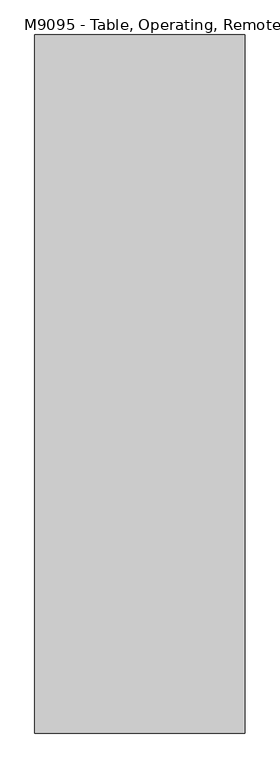
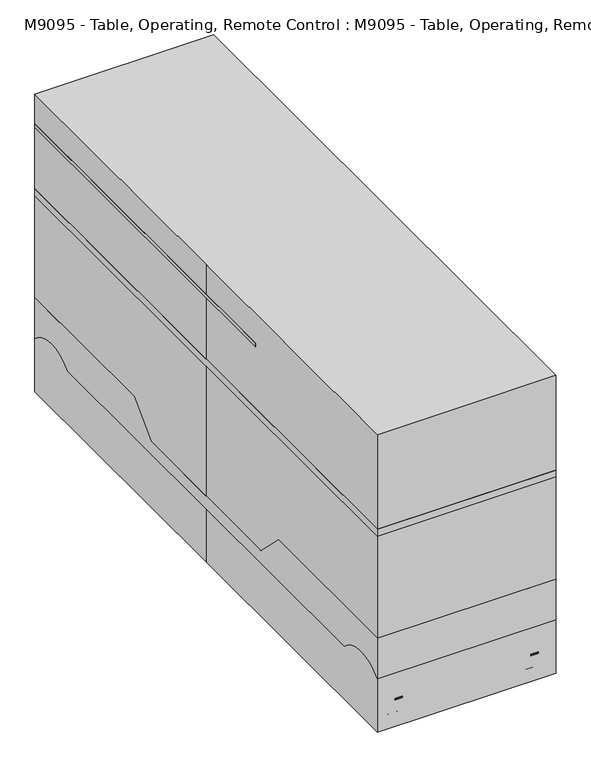
"""IFC4 building model written with IfcOpenShell, lengths in millimetres: proxy geometry, M9095 - Table, Operating, Remote Control : M9095 - Table, Operating, Remote Control."""

import ifcopenshell
import ifcopenshell.guid

model = None  # the IFC model being written
_history = None  # IfcOwnerHistory: only IFC2X3 demands one
_inside = {}  # id of a spatial element -> (the spatial element, [elements in it])
_under = {}  # id of a project, library or spatial element -> (it, [spatial elements below it])
_declared = {}  # id of a project -> (the project, [libraries it declares])
_typed = {}  # id of a type object -> (the type object, [elements of that type])
_made_of = {}  # id of a material, layer set ... -> (it, [elements and type objects made of it])


def new_model(schema):
    """Start an empty IFC model of exactly this schema.

    Asked for "IFC4X3", IfcOpenShell would pick the latest addendum, in which some entities
    have other attributes; the version numbers below select the first issue.
    IFC2X3 requires an IfcOwnerHistory on every rooted entity: one is made here for all.
    """
    global model, _history
    if schema == "IFC4X3":
        model = ifcopenshell.file(schema_version=(4, 3, 0, 0))
    else:
        model = ifcopenshell.file(schema=schema)
    _inside.clear()
    _under.clear()
    _declared.clear()
    _typed.clear()
    _made_of.clear()
    _history = None
    if model.schema == "IFC2X3":
        org = make("IfcOrganization", Name="unknown")
        user = make(
            "IfcPersonAndOrganization",
            ThePerson=make("IfcPerson", FamilyName="unknown"),
            TheOrganization=org,
        )
        app = make(
            "IfcApplication",
            ApplicationDeveloper=org,
            Version="unknown",
            ApplicationFullName="unknown",
            ApplicationIdentifier="unknown",
        )
        _history = make(
            "IfcOwnerHistory",
            OwningUser=user,
            OwningApplication=app,
            ChangeAction="ADDED",
            CreationDate=0,
        )
    return model


def make(cls, **values):
    """One entity of the class cls with the attributes given. An attribute that is None is left unset."""
    return model.create_entity(
        cls, **{name: value for name, value in values.items() if value is not None}
    )


def rooted(cls, **values):
    """An entity with a GlobalId (a new one), such as an element, a storey or a relation."""
    return make(cls, GlobalId=ifcopenshell.guid.new(), OwnerHistory=_history, **values)


def si_unit(unit_type, name, prefix=None):
    """IfcSIUnit, for example si_unit("LENGTHUNIT", "METRE", prefix="MILLI")."""
    return make("IfcSIUnit", UnitType=unit_type, Prefix=prefix, Name=name)


def assignment(units):
    """IfcUnitAssignment: the units of a project."""
    return None if units is None else make("IfcUnitAssignment", Units=units)


def point(xyz):
    """IfcCartesianPoint."""
    return None if xyz is None else make("IfcCartesianPoint", Coordinates=xyz)


def direction(xyz):
    """IfcDirection."""
    return None if xyz is None else make("IfcDirection", DirectionRatios=xyz)


def frame(location, z_axis=None, x_axis=None):
    """IfcAxis2Placement3D, a coordinate frame: its origin and axes. An axis left out is left unset."""
    return make(
        "IfcAxis2Placement3D",
        Location=point(location),
        Axis=direction(z_axis),
        RefDirection=direction(x_axis),
    )


def frame_2d(location, x_axis=None):
    """IfcAxis2Placement2D, a coordinate frame in the plane: its origin and x axis."""
    return make(
        "IfcAxis2Placement2D", Location=point(location), RefDirection=direction(x_axis)
    )


def origin():
    """The frame at (0, 0, 0) with its axes left unset."""
    return frame((0.0, 0.0, 0.0))


def origin_with_axes():
    """The frame at (0, 0, 0) with the z axis (0, 0, 1) and the x axis (1, 0, 0) written out."""
    return frame((0.0, 0.0, 0.0), z_axis=(0.0, 0.0, 1.0), x_axis=(1.0, 0.0, 0.0))


def place(relative_to, where):
    """IfcLocalPlacement: puts the frame where relative to a parent placement (None: the world)."""
    return make(
        "IfcLocalPlacement", PlacementRelTo=relative_to, RelativePlacement=where
    )


def context(
    kind, dimensions, precision=None, world=None, true_north=None, identifier=None
):
    """IfcGeometricRepresentationContext, for example the 3D "Model" context."""
    return make(
        "IfcGeometricRepresentationContext",
        ContextIdentifier=identifier,
        ContextType=kind,
        CoordinateSpaceDimension=dimensions,
        Precision=precision,
        WorldCoordinateSystem=world,
        TrueNorth=true_north,
    )


def project(units=None, contexts=None):
    """IfcProject with its units and contexts."""
    return rooted(
        "IfcProject",
        Name="project",
        RepresentationContexts=contexts,
        UnitsInContext=assignment(units),
    )


def spatial(cls, under=None, at=None, **own):
    """A site, building, storey or space (cls), placed at a placement, below another one or the project."""
    s = rooted(cls, ObjectPlacement=at, **own)
    if under is not None:
        _under.setdefault(under.id(), (under, []))[1].append(s)
    return s


def polyline(points):
    """IfcPolyline through the points."""
    return make("IfcPolyline", Points=[point(p) for p in points])


def circle_curve(where, radius):
    """IfcCircle in the frame where."""
    return make("IfcCircle", Position=where, Radius=radius)


def trimmed(basis, trim1, trim2, sense, master):
    """IfcTrimmedCurve: the piece of a basis curve between two trims."""
    return make(
        "IfcTrimmedCurve",
        BasisCurve=basis,
        Trim1=trim1,
        Trim2=trim2,
        SenseAgreement=sense,
        MasterRepresentation=master,
    )


def segment(curve, same_sense, transition):
    """IfcCompositeCurveSegment."""
    return make(
        "IfcCompositeCurveSegment",
        Transition=transition,
        SameSense=same_sense,
        ParentCurve=curve,
    )


def composite_curve(segments, self_intersect=None):
    """IfcCompositeCurve: segments joined end to end."""
    return make("IfcCompositeCurve", Segments=segments, SelfIntersect=self_intersect)


def outline(outer, holes=None, kind="AREA"):
    """IfcArbitraryClosedProfileDef: a profile drawn as a closed curve; with holes, ...WithVoids."""
    if holes is None:
        return make("IfcArbitraryClosedProfileDef", ProfileType=kind, OuterCurve=outer)
    return make(
        "IfcArbitraryProfileDefWithVoids",
        ProfileType=kind,
        OuterCurve=outer,
        InnerCurves=holes,
    )


def extrude(swept, where, along, depth):
    """IfcExtrudedAreaSolid: the profile swept, set in the frame where, extruded along a direction by depth."""
    return make(
        "IfcExtrudedAreaSolid",
        SweptArea=swept,
        Position=where,
        ExtrudedDirection=direction(along),
        Depth=depth,
    )


def shape(context_of_items, identifier, shape_type, items):
    """IfcShapeRepresentation: the items that make up one representation, for example the "Body"."""
    return make(
        "IfcShapeRepresentation",
        ContextOfItems=context_of_items,
        RepresentationIdentifier=identifier,
        RepresentationType=shape_type,
        Items=items,
    )


def source(mapping_origin, context_of_items, identifier, shape_type, items):
    """IfcRepresentationMap: a shape defined once, which mapped items show again and again."""
    return make(
        "IfcRepresentationMap",
        MappingOrigin=mapping_origin,
        MappedRepresentation=shape(context_of_items, identifier, shape_type, items),
    )


def transform(
    local_origin,
    x_axis=None,
    y_axis=None,
    z_axis=None,
    scale=None,
    scale2=None,
    scale3=None,
    uniform=True,
):
    """IfcCartesianTransformationOperator3D, or its non-uniform kind. x_axis, y_axis, z_axis: its Axis1, 2, 3."""
    if uniform:
        return make(
            "IfcCartesianTransformationOperator3D",
            Axis1=direction(x_axis),
            Axis2=direction(y_axis),
            LocalOrigin=point(local_origin),
            Scale=scale,
            Axis3=direction(z_axis),
        )
    return make(
        "IfcCartesianTransformationOperator3DnonUniform",
        Axis1=direction(x_axis),
        Axis2=direction(y_axis),
        LocalOrigin=point(local_origin),
        Scale=scale,
        Axis3=direction(z_axis),
        Scale2=scale2,
        Scale3=scale3,
    )


def mapped(mapping_source, mapping_target):
    """IfcMappedItem: shows the shape of a source again, moved by a transform."""
    return make(
        "IfcMappedItem", MappingSource=mapping_source, MappingTarget=mapping_target
    )


def made_of(thing, what):
    """Note that an element or type object is made of a material, layer set ...; save() writes the relation."""
    if what is not None:
        _made_of.setdefault(what.id(), (what, []))[1].append(thing)
    return thing


def element(
    cls,
    number,
    at=None,
    inside=None,
    cuts=None,
    type_object=None,
    material=None,
    context=None,
    identifier="Body",
    shape_type=None,
    held_by="IfcProductDefinitionShape",
    body=None,
    shapes=None,
    **own,
):
    """One element of the class cls, such as IfcWall. Its Tag is "e" and its number.

    at: its placement. inside: the storey or other place that contains it. cuts: it is an
    opening in that element (IfcRelVoidsElement). A single representation is given by context,
    identifier, shape_type and body (its items); several are given by shapes. held_by: the class
    of the entity that holds the representations. save() writes the other relations.
    """
    e = rooted(cls, Tag="e%d" % number, ObjectPlacement=at, **own)
    if body is not None:
        shapes = [shape(context, identifier, shape_type, body)]
    if shapes is not None:
        e.Representation = make(held_by, Representations=shapes)
    if inside is not None:
        _inside.setdefault(inside.id(), (inside, []))[1].append(e)
    if cuts is not None:
        rooted(
            "IfcRelVoidsElement", RelatingBuildingElement=cuts, RelatedOpeningElement=e
        )
    if type_object is not None:
        _typed.setdefault(type_object.id(), (type_object, []))[1].append(e)
    return made_of(e, material)


def aggregate(whole, parts):
    """IfcRelAggregates: a whole, such as a stair, and the parts it consists of."""
    return rooted("IfcRelAggregates", RelatingObject=whole, RelatedObjects=parts)


def save(model, path):
    """Write the relations noted so far, then the file.

    IfcRelAggregates (storeys below a building ...), IfcRelContainedInSpatialStructure (elements
    in a storey), IfcRelDefinesByType, IfcRelAssociatesMaterial and IfcRelDeclares: one each for
    every whole, place, type object, material and project.
    """
    for whole, parts in _under.values():
        aggregate(whole, parts)
    for where, things in _inside.values():
        rooted(
            "IfcRelContainedInSpatialStructure",
            RelatedElements=things,
            RelatingStructure=where,
        )
    for kind, things in _typed.values():
        rooted("IfcRelDefinesByType", RelatedObjects=things, RelatingType=kind)
    for what, things in _made_of.values():
        rooted("IfcRelAssociatesMaterial", RelatedObjects=things, RelatingMaterial=what)
    for by, libraries in _declared.values():
        rooted("IfcRelDeclares", RelatingContext=by, RelatedDefinitions=libraries)
    model.write(path)


def m9095_table_operating_remote_control_m9095_table_operating_34d2ac3a(model_context):
    return source(origin(), model_context, "Body", "SweptSolid", [
        extrude(outline(composite_curve([segment(trimmed(circle_curve(frame_2d((-127.0, 647.7)), 63.5), [point((-63.5, 647.7))], [point((-190.5, 647.7))], False, "CARTESIAN"), True, "CONTINUOUS"), segment(trimmed(circle_curve(frame_2d((-127.0, 647.7)), 63.5), [point((-190.5, 647.7))], [point((-63.5, 647.7))], False, "CARTESIAN"), True, "CONTINUOUS")], self_intersect=False)), frame((0.0, 0.0, 428.573777), z_axis=(0.0, 0.0, 1.0), x_axis=(1.0, 0.0, 0.0)), (0.0, 0.0, 1.0), 304.8),
        extrude(outline(composite_curve([segment(trimmed(circle_curve(frame_2d((-127.0, 647.7)), 76.2), [point((-50.8, 647.7))], [point((-203.2, 647.7))], False, "CARTESIAN"), True, "CONTINUOUS"), segment(trimmed(circle_curve(frame_2d((-127.0, 647.7)), 76.2), [point((-203.2, 647.7))], [point((-50.8, 647.7))], False, "CARTESIAN"), True, "CONTINUOUS")], self_intersect=False)), frame((0.0, 0.0, 352.373777), z_axis=(0.0, 0.0, 1.0), x_axis=(1.0, 0.0, 0.0)), (0.0, 0.0, 1.0), 76.2),
        extrude(outline(composite_curve([segment(trimmed(circle_curve(frame_2d((-127.0, -647.7)), 63.5), [point((-63.5, -647.7))], [point((-190.5, -647.7))], False, "CARTESIAN"), True, "CONTINUOUS"), segment(trimmed(circle_curve(frame_2d((-127.0, -647.7)), 63.5), [point((-190.5, -647.7))], [point((-63.5, -647.7))], False, "CARTESIAN"), True, "CONTINUOUS")], self_intersect=False)), frame((0.0, 0.0, 428.573777), z_axis=(0.0, 0.0, 1.0), x_axis=(1.0, 0.0, 0.0)), (0.0, 0.0, 1.0), 304.8),
        extrude(outline(composite_curve([segment(trimmed(circle_curve(frame_2d((-127.0, -647.7)), 76.2), [point((-50.8, -647.7))], [point((-203.2, -647.7))], False, "CARTESIAN"), True, "CONTINUOUS"), segment(trimmed(circle_curve(frame_2d((-127.0, -647.7)), 76.2), [point((-203.2, -647.7))], [point((-50.8, -647.7))], False, "CARTESIAN"), True, "CONTINUOUS")], self_intersect=False)), frame((0.0, 0.0, 352.373777), z_axis=(0.0, 0.0, 1.0), x_axis=(1.0, 0.0, 0.0)), (0.0, 0.0, 1.0), 76.2),
        extrude(outline(composite_curve([segment(trimmed(circle_curve(frame_2d((127.0, 647.7)), 63.5), [point((63.5, 647.7))], [point((190.5, 647.7))], False, "CARTESIAN"), True, "CONTINUOUS"), segment(trimmed(circle_curve(frame_2d((127.0, 647.7)), 63.5), [point((190.5, 647.7))], [point((63.5, 647.7))], False, "CARTESIAN"), True, "CONTINUOUS")], self_intersect=False)), frame((0.0, 0.0, 428.573777), z_axis=(0.0, 0.0, 1.0), x_axis=(1.0, 0.0, 0.0)), (0.0, 0.0, 1.0), 304.8),
        extrude(outline(composite_curve([segment(trimmed(circle_curve(frame_2d((127.0, 647.7)), 76.2), [point((50.8, 647.7))], [point((203.2, 647.7))], False, "CARTESIAN"), True, "CONTINUOUS"), segment(trimmed(circle_curve(frame_2d((127.0, 647.7)), 76.2), [point((203.2, 647.7))], [point((50.8, 647.7))], False, "CARTESIAN"), True, "CONTINUOUS")], self_intersect=False)), frame((0.0, 0.0, 352.373777), z_axis=(0.0, 0.0, 1.0), x_axis=(1.0, 0.0, 0.0)), (0.0, 0.0, 1.0), 76.2),
        extrude(outline(composite_curve([segment(trimmed(circle_curve(frame_2d((127.0, -647.7)), 63.5), [point((63.5, -647.7))], [point((190.5, -647.7))], False, "CARTESIAN"), True, "CONTINUOUS"), segment(trimmed(circle_curve(frame_2d((127.0, -647.7)), 63.5), [point((190.5, -647.7))], [point((63.5, -647.7))], False, "CARTESIAN"), True, "CONTINUOUS")], self_intersect=False)), frame((0.0, 0.0, 428.573777), z_axis=(0.0, 0.0, 1.0), x_axis=(1.0, 0.0, 0.0)), (0.0, 0.0, 1.0), 304.8),
        extrude(outline(composite_curve([segment(trimmed(circle_curve(frame_2d((127.0, -647.7)), 76.2), [point((50.8, -647.7))], [point((203.2, -647.7))], False, "CARTESIAN"), True, "CONTINUOUS"), segment(trimmed(circle_curve(frame_2d((127.0, -647.7)), 76.2), [point((203.2, -647.7))], [point((50.8, -647.7))], False, "CARTESIAN"), True, "CONTINUOUS")], self_intersect=False)), frame((0.0, 0.0, 352.373777), z_axis=(0.0, 0.0, 1.0), x_axis=(1.0, 0.0, 0.0)), (0.0, 0.0, 1.0), 76.2),
        extrude(outline(polyline([(247.65, 146.05), (247.65, 317.5), (280.8025622, 317.5), (349.25, 184.15), (349.25, 146.05), (247.65, 146.05)])), frame((0.0, -127.0, 0.0), z_axis=(0.0, 1.0, 0.0), x_axis=(0.0, 0.0, 1.0)), (0.0, 0.0, 1.0), 254.0),
        extrude(outline(polyline([(0.0, -101.6), (0.0, 0.0), (76.2, 0.0), (76.2, -101.6), (0.0, -101.6)])), frame((295.5260184, 88.9, 292.0816229), z_axis=(0.45664846557060657, 0.0, 0.889647221595173), x_axis=(0.0, -1.0, 0.0)), (0.0, 0.0, 1.0), 12.7),
        extrude(outline(polyline([(0.0, -101.6), (0.0, 0.0), (76.2, 0.0), (76.2, -101.6), (0.0, -101.6)])), frame((205.1378607, -88.9, 338.477107), z_axis=(0.45664846557060657, 0.0, 0.889647221595173), x_axis=(0.0, 1.0, 0.0)), (0.0, 0.0, 1.0), 12.7),
        extrude(outline(polyline([(317.5, -304.8), (266.7, -304.8), (266.7, 1054.1), (317.5, 1054.1), (317.5, -304.8)])), frame((0.0, 0.0, 993.826223), z_axis=(0.0, 0.0, 1.0), x_axis=(1.0, 0.0, 0.0)), (0.0, 0.0, 1.0), 12.7),
        extrude(outline(polyline([(-266.7, -304.8), (-317.5, -304.8), (-317.5, 1054.1), (-266.7, 1054.1), (-266.7, -304.8)])), frame((0.0, 0.0, 993.826223), z_axis=(0.0, 0.0, 1.0), x_axis=(1.0, 0.0, 0.0)), (0.0, 0.0, 1.0), 12.7),
        extrude(outline(composite_curve([segment(trimmed(circle_curve(frame_2d((292.1, 952.5)), 19.05), [point((273.05, 952.5))], [point((311.15, 952.5))], False, "CARTESIAN"), True, "CONTINUOUS"), segment(trimmed(circle_curve(frame_2d((292.1, 952.5)), 19.05), [point((311.15, 952.5))], [point((273.05, 952.5))], False, "CARTESIAN"), True, "CONTINUOUS")], self_intersect=False)), frame((0.0, 0.0, 762.0), z_axis=(0.0, 0.0, 1.0), x_axis=(1.0, 0.0, 0.0)), (0.0, 0.0, 1.0), 231.826223),
        extrude(outline(composite_curve([segment(trimmed(circle_curve(frame_2d((292.1, 723.9)), 19.05), [point((273.05, 723.9))], [point((311.15, 723.9))], False, "CARTESIAN"), True, "CONTINUOUS"), segment(trimmed(circle_curve(frame_2d((292.1, 723.9)), 19.05), [point((311.15, 723.9))], [point((273.05, 723.9))], False, "CARTESIAN"), True, "CONTINUOUS")], self_intersect=False)), frame((0.0, 0.0, 762.0), z_axis=(0.0, 0.0, 1.0), x_axis=(1.0, 0.0, 0.0)), (0.0, 0.0, 1.0), 231.826223),
        extrude(outline(composite_curve([segment(trimmed(circle_curve(frame_2d((292.1, 495.3)), 19.05), [point((273.05, 495.3))], [point((311.15, 495.3))], False, "CARTESIAN"), True, "CONTINUOUS"), segment(trimmed(circle_curve(frame_2d((292.1, 495.3)), 19.05), [point((311.15, 495.3))], [point((273.05, 495.3))], False, "CARTESIAN"), True, "CONTINUOUS")], self_intersect=False)), frame((0.0, 0.0, 762.0), z_axis=(0.0, 0.0, 1.0), x_axis=(1.0, 0.0, 0.0)), (0.0, 0.0, 1.0), 231.826223),
        extrude(outline(composite_curve([segment(trimmed(circle_curve(frame_2d((292.1, 266.7)), 19.05), [point((273.05, 266.7))], [point((311.15, 266.7))], False, "CARTESIAN"), True, "CONTINUOUS"), segment(trimmed(circle_curve(frame_2d((292.1, 266.7)), 19.05), [point((311.15, 266.7))], [point((273.05, 266.7))], False, "CARTESIAN"), True, "CONTINUOUS")], self_intersect=False)), frame((0.0, 0.0, 762.0), z_axis=(0.0, 0.0, 1.0), x_axis=(1.0, 0.0, 0.0)), (0.0, 0.0, 1.0), 231.826223),
        extrude(outline(composite_curve([segment(trimmed(circle_curve(frame_2d((292.1, 38.1)), 19.05), [point((273.05, 38.1))], [point((311.15, 38.1))], False, "CARTESIAN"), True, "CONTINUOUS"), segment(trimmed(circle_curve(frame_2d((292.1, 38.1)), 19.05), [point((311.15, 38.1))], [point((273.05, 38.1))], False, "CARTESIAN"), True, "CONTINUOUS")], self_intersect=False)), frame((0.0, 0.0, 762.0), z_axis=(0.0, 0.0, 1.0), x_axis=(1.0, 0.0, 0.0)), (0.0, 0.0, 1.0), 231.826223),
        extrude(outline(composite_curve([segment(trimmed(circle_curve(frame_2d((292.1, -190.5)), 19.05), [point((273.05, -190.5))], [point((311.15, -190.5))], False, "CARTESIAN"), True, "CONTINUOUS"), segment(trimmed(circle_curve(frame_2d((292.1, -190.5)), 19.05), [point((311.15, -190.5))], [point((273.05, -190.5))], False, "CARTESIAN"), True, "CONTINUOUS")], self_intersect=False)), frame((0.0, 0.0, 762.0), z_axis=(0.0, 0.0, 1.0), x_axis=(1.0, 0.0, 0.0)), (0.0, 0.0, 1.0), 231.826223),
        extrude(outline(composite_curve([segment(trimmed(circle_curve(frame_2d((-292.1, 952.5)), 19.05), [point((-311.15, 952.5))], [point((-273.05, 952.5))], False, "CARTESIAN"), True, "CONTINUOUS"), segment(trimmed(circle_curve(frame_2d((-292.1, 952.5)), 19.05), [point((-273.05, 952.5))], [point((-311.15, 952.5))], False, "CARTESIAN"), True, "CONTINUOUS")], self_intersect=False)), frame((0.0, 0.0, 762.0), z_axis=(0.0, 0.0, 1.0), x_axis=(1.0, 0.0, 0.0)), (0.0, 0.0, 1.0), 231.826223),
        extrude(outline(composite_curve([segment(trimmed(circle_curve(frame_2d((-292.1, 723.9)), 19.05), [point((-311.15, 723.9))], [point((-273.05, 723.9))], False, "CARTESIAN"), True, "CONTINUOUS"), segment(trimmed(circle_curve(frame_2d((-292.1, 723.9)), 19.05), [point((-273.05, 723.9))], [point((-311.15, 723.9))], False, "CARTESIAN"), True, "CONTINUOUS")], self_intersect=False)), frame((0.0, 0.0, 762.0), z_axis=(0.0, 0.0, 1.0), x_axis=(1.0, 0.0, 0.0)), (0.0, 0.0, 1.0), 231.826223),
        extrude(outline(composite_curve([segment(trimmed(circle_curve(frame_2d((-292.1, 495.3)), 19.05), [point((-311.15, 495.3))], [point((-273.05, 495.3))], False, "CARTESIAN"), True, "CONTINUOUS"), segment(trimmed(circle_curve(frame_2d((-292.1, 495.3)), 19.05), [point((-273.05, 495.3))], [point((-311.15, 495.3))], False, "CARTESIAN"), True, "CONTINUOUS")], self_intersect=False)), frame((0.0, 0.0, 762.0), z_axis=(0.0, 0.0, 1.0), x_axis=(1.0, 0.0, 0.0)), (0.0, 0.0, 1.0), 231.826223),
        extrude(outline(composite_curve([segment(trimmed(circle_curve(frame_2d((-292.1, 266.7)), 19.05), [point((-311.15, 266.7))], [point((-273.05, 266.7))], False, "CARTESIAN"), True, "CONTINUOUS"), segment(trimmed(circle_curve(frame_2d((-292.1, 266.7)), 19.05), [point((-273.05, 266.7))], [point((-311.15, 266.7))], False, "CARTESIAN"), True, "CONTINUOUS")], self_intersect=False)), frame((0.0, 0.0, 762.0), z_axis=(0.0, 0.0, 1.0), x_axis=(1.0, 0.0, 0.0)), (0.0, 0.0, 1.0), 231.826223),
        extrude(outline(composite_curve([segment(trimmed(circle_curve(frame_2d((-292.1, 38.1)), 19.05), [point((-311.15, 38.1))], [point((-273.05, 38.1))], False, "CARTESIAN"), True, "CONTINUOUS"), segment(trimmed(circle_curve(frame_2d((-292.1, 38.1)), 19.05), [point((-273.05, 38.1))], [point((-311.15, 38.1))], False, "CARTESIAN"), True, "CONTINUOUS")], self_intersect=False)), frame((0.0, 0.0, 762.0), z_axis=(0.0, 0.0, 1.0), x_axis=(1.0, 0.0, 0.0)), (0.0, 0.0, 1.0), 231.826223),
        extrude(outline(composite_curve([segment(trimmed(circle_curve(frame_2d((-292.1, -190.5)), 19.05), [point((-311.15, -190.5))], [point((-273.05, -190.5))], False, "CARTESIAN"), True, "CONTINUOUS"), segment(trimmed(circle_curve(frame_2d((-292.1, -190.5)), 19.05), [point((-273.05, -190.5))], [point((-311.15, -190.5))], False, "CARTESIAN"), True, "CONTINUOUS")], self_intersect=False)), frame((0.0, 0.0, 762.0), z_axis=(0.0, 0.0, 1.0), x_axis=(1.0, 0.0, 0.0)), (0.0, 0.0, 1.0), 231.826223),
        extrude(outline(composite_curve([segment(polyline([(-215.9, 1028.7), (215.9, 1028.7)]), True, "CONTINUOUS"), segment(trimmed(circle_curve(frame_2d((215.9, 977.9)), 50.8), [point((215.9, 1028.7))], [point((266.7, 977.9))], False, "CARTESIAN"), True, "CONTINUOUS"), segment(polyline([(266.7, 977.9), (266.7, -977.9)]), True, "CONTINUOUS"), segment(trimmed(circle_curve(frame_2d((215.9, -977.9)), 50.8), [point((266.7, -977.9))], [point((215.9, -1028.7))], False, "CARTESIAN"), True, "CONTINUOUS"), segment(polyline([(215.9, -1028.7), (-215.9, -1028.7)]), True, "CONTINUOUS"), segment(trimmed(circle_curve(frame_2d((-215.9, -977.9)), 50.8), [point((-215.9, -1028.7))], [point((-266.7, -977.9))], False, "CARTESIAN"), True, "CONTINUOUS"), segment(polyline([(-266.7, -977.9), (-266.7, 977.9)]), True, "CONTINUOUS"), segment(trimmed(circle_curve(frame_2d((-215.9, 977.9)), 50.8), [point((-266.7, 977.9))], [point((-215.9, 1028.7))], False, "CARTESIAN"), True, "CONTINUOUS")], self_intersect=False)), frame((0.0, 0.0, 762.0), z_axis=(0.0, 0.0, 1.0), x_axis=(1.0, 0.0, 0.0)), (0.0, 0.0, 1.0), 50.8),
        extrude(outline(polyline([(317.5, 1054.1), (317.5, -1054.1), (-317.5, -1054.1), (-317.5, 1054.1), (317.5, 1054.1)])), frame((0.0, 0.0, 736.6), z_axis=(0.0, 0.0, 1.0), x_axis=(1.0, 0.0, 0.0)), (0.0, 0.0, 1.0), 25.4),
        extrude(outline(composite_curve([segment(trimmed(circle_curve(frame_2d((952.5, 101.6)), 101.6), [point((1054.1, 101.6))], [point((850.9, 101.6))], False, "CARTESIAN"), True, "CONTINUOUS"), segment(trimmed(circle_curve(frame_2d((952.5, 101.6)), 101.6), [point((850.9, 101.6))], [point((1054.1, 101.6))], False, "CARTESIAN"), True, "CONTINUOUS")], self_intersect=False)), frame((-254.0, 0.0, 0.0), z_axis=(1.0, 0.0, 0.0), x_axis=(0.0, 1.0, 0.0)), (0.0, 0.0, 1.0), 25.4),
        extrude(outline(composite_curve([segment(trimmed(circle_curve(frame_2d((-952.5, 101.6)), 101.6), [point((-1054.1, 101.6))], [point((-850.9, 101.6))], False, "CARTESIAN"), True, "CONTINUOUS"), segment(trimmed(circle_curve(frame_2d((-952.5, 101.6)), 101.6), [point((-850.9, 101.6))], [point((-1054.1, 101.6))], False, "CARTESIAN"), True, "CONTINUOUS")], self_intersect=False)), frame((-254.0, 0.0, 0.0), z_axis=(1.0, 0.0, 0.0), x_axis=(0.0, 1.0, 0.0)), (0.0, 0.0, 1.0), 25.4),
        extrude(outline(composite_curve([segment(trimmed(circle_curve(frame_2d((952.5, 101.6)), 101.6), [point((1054.1, 101.6))], [point((850.9, 101.6))], False, "CARTESIAN"), True, "CONTINUOUS"), segment(trimmed(circle_curve(frame_2d((952.5, 101.6)), 101.6), [point((850.9, 101.6))], [point((1054.1, 101.6))], False, "CARTESIAN"), True, "CONTINUOUS")], self_intersect=False)), frame((228.6, 0.0, 0.0), z_axis=(1.0, 0.0, 0.0), x_axis=(0.0, 1.0, 0.0)), (0.0, 0.0, 1.0), 25.4),
        extrude(outline(composite_curve([segment(trimmed(circle_curve(frame_2d((-952.5, 98.373777)), 101.6), [point((-1054.1, 98.373777))], [point((-850.9, 98.373777))], False, "CARTESIAN"), True, "CONTINUOUS"), segment(trimmed(circle_curve(frame_2d((-952.5, 98.373777)), 101.6), [point((-850.9, 98.373777))], [point((-1054.1, 98.373777))], False, "CARTESIAN"), True, "CONTINUOUS")], self_intersect=False)), frame((228.6, 0.0, 0.0), z_axis=(1.0, 0.0, 0.0), x_axis=(0.0, 1.0, 0.0)), (0.0, 0.0, 1.0), 25.4),
        extrude(outline(composite_curve([segment(trimmed(circle_curve(frame_2d((241.3, 952.5)), 25.4), [point((215.9, 952.5))], [point((266.7, 952.5))], False, "CARTESIAN"), True, "CONTINUOUS"), segment(trimmed(circle_curve(frame_2d((241.3, 952.5)), 25.4), [point((266.7, 952.5))], [point((215.9, 952.5))], False, "CARTESIAN"), True, "CONTINUOUS")], self_intersect=False)), frame((0.0, 0.0, 222.25), z_axis=(0.0, 0.0, 1.0), x_axis=(1.0, 0.0, 0.0)), (0.0, 0.0, 1.0), 25.4),
        extrude(outline(polyline([(215.9, 990.6), (266.7, 990.6), (266.7, 914.4), (215.9, 914.4), (215.9, 990.6)])), frame((0.0, 0.0, 209.55), z_axis=(0.0, 0.0, 1.0), x_axis=(1.0, 0.0, 0.0)), (0.0, 0.0, 1.0), 12.7),
        extrude(outline(polyline([(254.0, 965.2), (266.7, 965.2), (266.7, 939.8), (254.0, 939.8), (254.0, 965.2)])), frame((0.0, 0.0, 101.6), z_axis=(0.0, 0.0, 1.0), x_axis=(1.0, 0.0, 0.0)), (0.0, 0.0, 1.0), 107.95),
        extrude(outline(polyline([(215.9, 965.2), (228.6, 965.2), (228.6, 939.8), (215.9, 939.8), (215.9, 965.2)])), frame((0.0, 0.0, 101.6), z_axis=(0.0, 0.0, 1.0), x_axis=(1.0, 0.0, 0.0)), (0.0, 0.0, 1.0), 107.95),
        extrude(outline(composite_curve([segment(trimmed(circle_curve(frame_2d((241.3, -952.5)), 25.4), [point((215.9, -952.5))], [point((266.7, -952.5))], False, "CARTESIAN"), True, "CONTINUOUS"), segment(trimmed(circle_curve(frame_2d((241.3, -952.5)), 25.4), [point((266.7, -952.5))], [point((215.9, -952.5))], False, "CARTESIAN"), True, "CONTINUOUS")], self_intersect=False)), frame((0.0, 0.0, 222.25), z_axis=(0.0, 0.0, 1.0), x_axis=(1.0, 0.0, 0.0)), (0.0, 0.0, 1.0), 25.4),
        extrude(outline(polyline([(266.7, -990.6), (215.9, -990.6), (215.9, -914.4), (266.7, -914.4), (266.7, -990.6)])), frame((0.0, 0.0, 209.55), z_axis=(0.0, 0.0, 1.0), x_axis=(1.0, 0.0, 0.0)), (0.0, 0.0, 1.0), 12.7),
        extrude(outline(polyline([(228.6, -965.2), (215.9, -965.2), (215.9, -939.8), (228.6, -939.8), (228.6, -965.2)])), frame((0.0, 0.0, 101.6), z_axis=(0.0, 0.0, 1.0), x_axis=(1.0, 0.0, 0.0)), (0.0, 0.0, 1.0), 107.95),
        extrude(outline(polyline([(266.7, -965.2), (254.0, -965.2), (254.0, -939.8), (266.7, -939.8), (266.7, -965.2)])), frame((0.0, 0.0, 101.6), z_axis=(0.0, 0.0, 1.0), x_axis=(1.0, 0.0, 0.0)), (0.0, 0.0, 1.0), 107.95),
        extrude(outline(composite_curve([segment(trimmed(circle_curve(frame_2d((-241.3, 952.5)), 25.4), [point((-215.9, 952.5))], [point((-266.7, 952.5))], False, "CARTESIAN"), True, "CONTINUOUS"), segment(trimmed(circle_curve(frame_2d((-241.3, 952.5)), 25.4), [point((-266.7, 952.5))], [point((-215.9, 952.5))], False, "CARTESIAN"), True, "CONTINUOUS")], self_intersect=False)), frame((0.0, 0.0, 222.25), z_axis=(0.0, 0.0, 1.0), x_axis=(1.0, 0.0, 0.0)), (0.0, 0.0, 1.0), 25.4),
        extrude(outline(polyline([(-266.7, 990.6), (-215.9, 990.6), (-215.9, 914.4), (-266.7, 914.4), (-266.7, 990.6)])), frame((0.0, 0.0, 209.55), z_axis=(0.0, 0.0, 1.0), x_axis=(1.0, 0.0, 0.0)), (0.0, 0.0, 1.0), 12.7),
        extrude(outline(polyline([(-228.6, 965.2), (-215.9, 965.2), (-215.9, 939.8), (-228.6, 939.8), (-228.6, 965.2)])), frame((0.0, 0.0, 101.6), z_axis=(0.0, 0.0, 1.0), x_axis=(1.0, 0.0, 0.0)), (0.0, 0.0, 1.0), 107.95),
        extrude(outline(polyline([(-266.7, 965.2), (-254.0, 965.2), (-254.0, 939.8), (-266.7, 939.8), (-266.7, 965.2)])), frame((0.0, 0.0, 101.6), z_axis=(0.0, 0.0, 1.0), x_axis=(1.0, 0.0, 0.0)), (0.0, 0.0, 1.0), 107.95),
        extrude(outline(composite_curve([segment(trimmed(circle_curve(frame_2d((-241.3, -952.5)), 25.4), [point((-215.9, -952.5))], [point((-266.7, -952.5))], False, "CARTESIAN"), True, "CONTINUOUS"), segment(trimmed(circle_curve(frame_2d((-241.3, -952.5)), 25.4), [point((-266.7, -952.5))], [point((-215.9, -952.5))], False, "CARTESIAN"), True, "CONTINUOUS")], self_intersect=False)), frame((0.0, 0.0, 222.25), z_axis=(0.0, 0.0, 1.0), x_axis=(1.0, 0.0, 0.0)), (0.0, 0.0, 1.0), 25.4),
        extrude(outline(polyline([(-215.9, -990.6), (-266.7, -990.6), (-266.7, -914.4), (-215.9, -914.4), (-215.9, -990.6)])), frame((0.0, 0.0, 209.55), z_axis=(0.0, 0.0, 1.0), x_axis=(1.0, 0.0, 0.0)), (0.0, 0.0, 1.0), 12.7),
        extrude(outline(polyline([(-254.0, -965.2), (-266.7, -965.2), (-266.7, -939.8), (-254.0, -939.8), (-254.0, -965.2)])), frame((0.0, 0.0, 101.6), z_axis=(0.0, 0.0, 1.0), x_axis=(1.0, 0.0, 0.0)), (0.0, 0.0, 1.0), 107.95),
        extrude(outline(polyline([(-215.9, -965.2), (-228.6, -965.2), (-228.6, -939.8), (-215.9, -939.8), (-215.9, -965.2)])), frame((0.0, 0.0, 101.6), z_axis=(0.0, 0.0, 1.0), x_axis=(1.0, 0.0, 0.0)), (0.0, 0.0, 1.0), 107.95),
        extrude(outline(composite_curve([segment(polyline([(-1054.1, 352.373777), (-444.5, 352.373777), (-339.776223, 247.65), (339.776223, 247.65), (444.5, 352.373777), (1054.1, 352.373777), (1054.1, 199.973777)]), True, "CONTINUOUS"), segment(trimmed(circle_curve(frame_2d((952.5, 101.6)), 141.4212148), [point((1054.1, 199.973777))], [point((850.9, 199.973777))], True, "CARTESIAN"), True, "CONTINUOUS"), segment(polyline([(850.9, 199.973777), (-850.9, 199.973777)]), True, "CONTINUOUS"), segment(trimmed(circle_curve(frame_2d((-952.5, 101.6)), 141.4212148), [point((-850.9, 199.973777))], [point((-1054.1, 199.973777))], True, "CARTESIAN"), True, "CONTINUOUS"), segment(polyline([(-1054.1, 199.973777), (-1054.1, 352.373777)]), True, "CONTINUOUS")], self_intersect=False)), frame((-317.5, 0.0, 0.0), z_axis=(1.0, 0.0, 0.0), x_axis=(0.0, 1.0, 0.0)), (0.0, 0.0, 1.0), 635.0),
        extrude(outline(polyline([(-317.5, 1054.1), (317.5, 1054.1), (317.5, -1054.1), (-317.5, -1054.1), (-317.5, 0.0), (-317.5, 1054.1)])), origin_with_axes(), (0.0, 0.0, 1.0), 1117.6),
    ])


if __name__ == "__main__":
    model = new_model("IFC4")
    model_context = context("Model", 3, world=origin())
    ifc_project = project(units=[si_unit("LENGTHUNIT", "METRE", prefix="MILLI")], contexts=[model_context])
    site = spatial("IfcSite", under=ifc_project)
    building = spatial("IfcBuilding", under=site)
    placement = place(None, origin())
    m9095_table_operating_remote_control_m9095_table_operating_shape = m9095_table_operating_remote_control_m9095_table_operating_34d2ac3a(model_context)
    element("IfcBuildingElementProxy", 1, Name="M9095 - Table, Operating, Remote Control : M9095 - Table, Operating, Remote Control", ObjectType="M9095 - Table, Operating, Remote Control : M9095 - Table, Operating, Remote Control", at=placement, inside=building, context=model_context, shape_type="MappedRepresentation", body=[
        mapped(m9095_table_operating_remote_control_m9095_table_operating_shape, transform((0.0, 0.0, 0.0), x_axis=(1.0, 0.0, 0.0), y_axis=(0.0, 1.0, 0.0), z_axis=(0.0, 0.0, 1.0))),
    ])
    save(model, "model.ifc")
